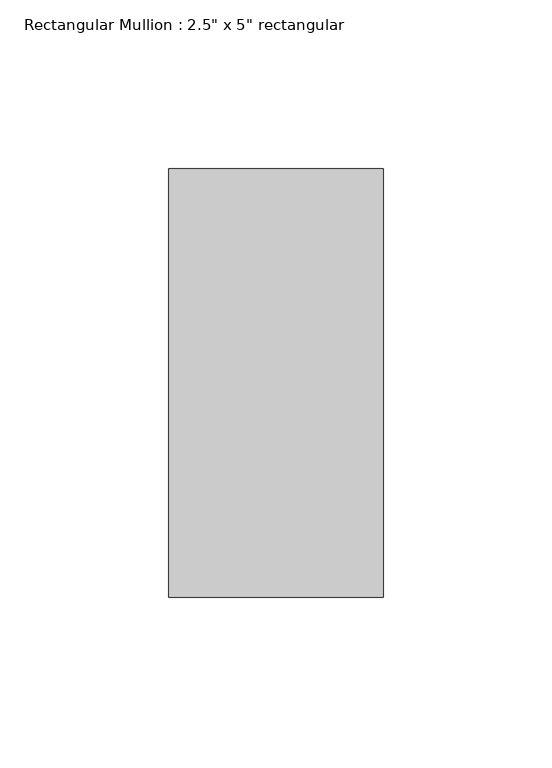
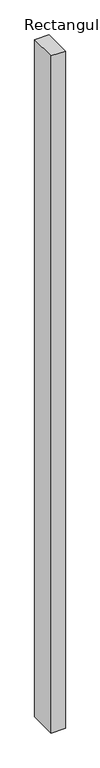
"""IFC4 building model written with IfcOpenShell, lengths in millimetres: member geometry."""

from ifc_helpers import new_model, si_unit, frame, origin, place, context, project, spatial, polyline, outline, extrude, source, transform, mapped, element, save


def member_83f36da1(model_context):
    return source(origin(), model_context, "Body", "SweptSolid", [
        extrude(outline(polyline([(0.0, 63.5), (0.0, -63.5), (-63.5, -63.5), (-63.5, 63.5), (0.0, 63.5)])), frame((0.0, 0.0, -3200.0), z_axis=(0.0, 0.0, 1.0), x_axis=(1.0, 0.0, 0.0)), (0.0, 0.0, 1.0), 3200.0),
    ])


if __name__ == "__main__":
    model = new_model("IFC4")
    model_context = context("Model", 3, world=origin())
    ifc_project = project(units=[si_unit("LENGTHUNIT", "METRE", prefix="MILLI")], contexts=[model_context])
    site = spatial("IfcSite", under=ifc_project)
    building = spatial("IfcBuilding", under=site)
    placement = place(None, origin())
    member_shape = member_83f36da1(model_context)
    element("IfcMember", 1, ObjectType="Rectangular Mullion : 2.5\" x 5\" rectangular", at=placement, inside=building, context=model_context, shape_type="MappedRepresentation", body=[
        mapped(member_shape, transform((0.0, 0.0, 0.0), x_axis=(1.0, 0.0, 0.0), y_axis=(0.0, 1.0, 0.0), z_axis=(0.0, 0.0, 1.0))),
    ])
    save(model, "model.ifc")
